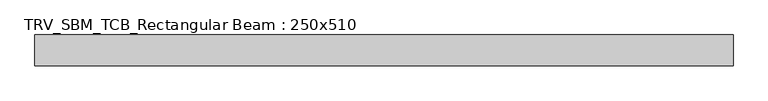
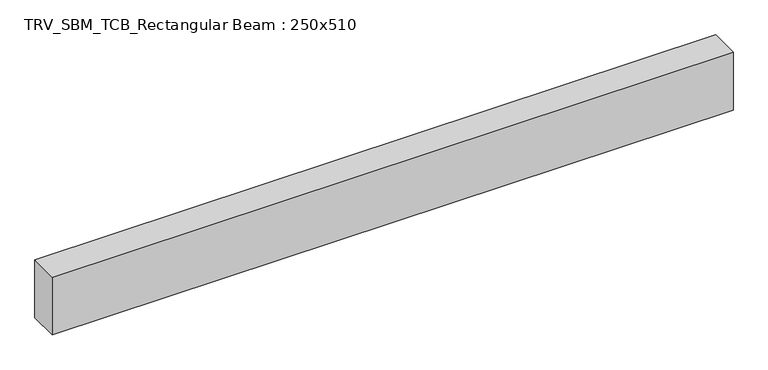
"""IFC4 building model written with IfcOpenShell, lengths in millimetres: beam geometry, TRV_SBM_TCB_Rectangular Beam : 250x510."""

import ifcopenshell
import ifcopenshell.guid

model = None  # the IFC model being written
_history = None  # IfcOwnerHistory: only IFC2X3 demands one
_inside = {}  # id of a spatial element -> (the spatial element, [elements in it])
_under = {}  # id of a project, library or spatial element -> (it, [spatial elements below it])
_declared = {}  # id of a project -> (the project, [libraries it declares])
_typed = {}  # id of a type object -> (the type object, [elements of that type])
_made_of = {}  # id of a material, layer set ... -> (it, [elements and type objects made of it])


def new_model(schema):
    """Start an empty IFC model of exactly this schema.

    Asked for "IFC4X3", IfcOpenShell would pick the latest addendum, in which some entities
    have other attributes; the version numbers below select the first issue.
    IFC2X3 requires an IfcOwnerHistory on every rooted entity: one is made here for all.
    """
    global model, _history
    if schema == "IFC4X3":
        model = ifcopenshell.file(schema_version=(4, 3, 0, 0))
    else:
        model = ifcopenshell.file(schema=schema)
    _inside.clear()
    _under.clear()
    _declared.clear()
    _typed.clear()
    _made_of.clear()
    _history = None
    if model.schema == "IFC2X3":
        org = make("IfcOrganization", Name="unknown")
        user = make(
            "IfcPersonAndOrganization",
            ThePerson=make("IfcPerson", FamilyName="unknown"),
            TheOrganization=org,
        )
        app = make(
            "IfcApplication",
            ApplicationDeveloper=org,
            Version="unknown",
            ApplicationFullName="unknown",
            ApplicationIdentifier="unknown",
        )
        _history = make(
            "IfcOwnerHistory",
            OwningUser=user,
            OwningApplication=app,
            ChangeAction="ADDED",
            CreationDate=0,
        )
    return model


def make(cls, **values):
    """One entity of the class cls with the attributes given. An attribute that is None is left unset."""
    return model.create_entity(
        cls, **{name: value for name, value in values.items() if value is not None}
    )


def rooted(cls, **values):
    """An entity with a GlobalId (a new one), such as an element, a storey or a relation."""
    return make(cls, GlobalId=ifcopenshell.guid.new(), OwnerHistory=_history, **values)


def si_unit(unit_type, name, prefix=None):
    """IfcSIUnit, for example si_unit("LENGTHUNIT", "METRE", prefix="MILLI")."""
    return make("IfcSIUnit", UnitType=unit_type, Prefix=prefix, Name=name)


def assignment(units):
    """IfcUnitAssignment: the units of a project."""
    return None if units is None else make("IfcUnitAssignment", Units=units)


def point(xyz):
    """IfcCartesianPoint."""
    return None if xyz is None else make("IfcCartesianPoint", Coordinates=xyz)


def direction(xyz):
    """IfcDirection."""
    return None if xyz is None else make("IfcDirection", DirectionRatios=xyz)


def frame(location, z_axis=None, x_axis=None):
    """IfcAxis2Placement3D, a coordinate frame: its origin and axes. An axis left out is left unset."""
    return make(
        "IfcAxis2Placement3D",
        Location=point(location),
        Axis=direction(z_axis),
        RefDirection=direction(x_axis),
    )


def origin():
    """The frame at (0, 0, 0) with its axes left unset."""
    return frame((0.0, 0.0, 0.0))


def place(relative_to, where):
    """IfcLocalPlacement: puts the frame where relative to a parent placement (None: the world)."""
    return make(
        "IfcLocalPlacement", PlacementRelTo=relative_to, RelativePlacement=where
    )


def context(
    kind, dimensions, precision=None, world=None, true_north=None, identifier=None
):
    """IfcGeometricRepresentationContext, for example the 3D "Model" context."""
    return make(
        "IfcGeometricRepresentationContext",
        ContextIdentifier=identifier,
        ContextType=kind,
        CoordinateSpaceDimension=dimensions,
        Precision=precision,
        WorldCoordinateSystem=world,
        TrueNorth=true_north,
    )


def project(units=None, contexts=None):
    """IfcProject with its units and contexts."""
    return rooted(
        "IfcProject",
        Name="project",
        RepresentationContexts=contexts,
        UnitsInContext=assignment(units),
    )


def spatial(cls, under=None, at=None, **own):
    """A site, building, storey or space (cls), placed at a placement, below another one or the project."""
    s = rooted(cls, ObjectPlacement=at, **own)
    if under is not None:
        _under.setdefault(under.id(), (under, []))[1].append(s)
    return s


def polyline(points):
    """IfcPolyline through the points."""
    return make("IfcPolyline", Points=[point(p) for p in points])


def outline(outer, holes=None, kind="AREA"):
    """IfcArbitraryClosedProfileDef: a profile drawn as a closed curve; with holes, ...WithVoids."""
    if holes is None:
        return make("IfcArbitraryClosedProfileDef", ProfileType=kind, OuterCurve=outer)
    return make(
        "IfcArbitraryProfileDefWithVoids",
        ProfileType=kind,
        OuterCurve=outer,
        InnerCurves=holes,
    )


def extrude(swept, where, along, depth):
    """IfcExtrudedAreaSolid: the profile swept, set in the frame where, extruded along a direction by depth."""
    return make(
        "IfcExtrudedAreaSolid",
        SweptArea=swept,
        Position=where,
        ExtrudedDirection=direction(along),
        Depth=depth,
    )


def shape(context_of_items, identifier, shape_type, items):
    """IfcShapeRepresentation: the items that make up one representation, for example the "Body"."""
    return make(
        "IfcShapeRepresentation",
        ContextOfItems=context_of_items,
        RepresentationIdentifier=identifier,
        RepresentationType=shape_type,
        Items=items,
    )


def source(mapping_origin, context_of_items, identifier, shape_type, items):
    """IfcRepresentationMap: a shape defined once, which mapped items show again and again."""
    return make(
        "IfcRepresentationMap",
        MappingOrigin=mapping_origin,
        MappedRepresentation=shape(context_of_items, identifier, shape_type, items),
    )


def transform(
    local_origin,
    x_axis=None,
    y_axis=None,
    z_axis=None,
    scale=None,
    scale2=None,
    scale3=None,
    uniform=True,
):
    """IfcCartesianTransformationOperator3D, or its non-uniform kind. x_axis, y_axis, z_axis: its Axis1, 2, 3."""
    if uniform:
        return make(
            "IfcCartesianTransformationOperator3D",
            Axis1=direction(x_axis),
            Axis2=direction(y_axis),
            LocalOrigin=point(local_origin),
            Scale=scale,
            Axis3=direction(z_axis),
        )
    return make(
        "IfcCartesianTransformationOperator3DnonUniform",
        Axis1=direction(x_axis),
        Axis2=direction(y_axis),
        LocalOrigin=point(local_origin),
        Scale=scale,
        Axis3=direction(z_axis),
        Scale2=scale2,
        Scale3=scale3,
    )


def mapped(mapping_source, mapping_target):
    """IfcMappedItem: shows the shape of a source again, moved by a transform."""
    return make(
        "IfcMappedItem", MappingSource=mapping_source, MappingTarget=mapping_target
    )


def made_of(thing, what):
    """Note that an element or type object is made of a material, layer set ...; save() writes the relation."""
    if what is not None:
        _made_of.setdefault(what.id(), (what, []))[1].append(thing)
    return thing


def element(
    cls,
    number,
    at=None,
    inside=None,
    cuts=None,
    type_object=None,
    material=None,
    context=None,
    identifier="Body",
    shape_type=None,
    held_by="IfcProductDefinitionShape",
    body=None,
    shapes=None,
    **own,
):
    """One element of the class cls, such as IfcWall. Its Tag is "e" and its number.

    at: its placement. inside: the storey or other place that contains it. cuts: it is an
    opening in that element (IfcRelVoidsElement). A single representation is given by context,
    identifier, shape_type and body (its items); several are given by shapes. held_by: the class
    of the entity that holds the representations. save() writes the other relations.
    """
    e = rooted(cls, Tag="e%d" % number, ObjectPlacement=at, **own)
    if body is not None:
        shapes = [shape(context, identifier, shape_type, body)]
    if shapes is not None:
        e.Representation = make(held_by, Representations=shapes)
    if inside is not None:
        _inside.setdefault(inside.id(), (inside, []))[1].append(e)
    if cuts is not None:
        rooted(
            "IfcRelVoidsElement", RelatingBuildingElement=cuts, RelatedOpeningElement=e
        )
    if type_object is not None:
        _typed.setdefault(type_object.id(), (type_object, []))[1].append(e)
    return made_of(e, material)


def aggregate(whole, parts):
    """IfcRelAggregates: a whole, such as a stair, and the parts it consists of."""
    return rooted("IfcRelAggregates", RelatingObject=whole, RelatedObjects=parts)


def save(model, path):
    """Write the relations noted so far, then the file.

    IfcRelAggregates (storeys below a building ...), IfcRelContainedInSpatialStructure (elements
    in a storey), IfcRelDefinesByType, IfcRelAssociatesMaterial and IfcRelDeclares: one each for
    every whole, place, type object, material and project.
    """
    for whole, parts in _under.values():
        aggregate(whole, parts)
    for where, things in _inside.values():
        rooted(
            "IfcRelContainedInSpatialStructure",
            RelatedElements=things,
            RelatingStructure=where,
        )
    for kind, things in _typed.values():
        rooted("IfcRelDefinesByType", RelatedObjects=things, RelatingType=kind)
    for what, things in _made_of.values():
        rooted("IfcRelAssociatesMaterial", RelatedObjects=things, RelatingMaterial=what)
    for by, libraries in _declared.values():
        rooted("IfcRelDeclares", RelatingContext=by, RelatedDefinitions=libraries)
    model.write(path)


def trv_sbm_tcb_rectangular_beam_250x510_7a24b503(model_context):
    return source(origin(), model_context, "Body", "SweptSolid", [
        extrude(outline(polyline([(2836.7, 125.0), (2836.7, -125.0), (-2836.7, -125.0), (-2836.7, 125.0), (2836.7, 125.0)])), frame((0.0, 0.0, -255.0), z_axis=(0.0, 0.0, 1.0), x_axis=(1.0, 0.0, 0.0)), (0.0, 0.0, 1.0), 510.0),
    ])


if __name__ == "__main__":
    model = new_model("IFC4")
    model_context = context("Model", 3, world=origin())
    ifc_project = project(units=[si_unit("LENGTHUNIT", "METRE", prefix="MILLI")], contexts=[model_context])
    site = spatial("IfcSite", under=ifc_project)
    building = spatial("IfcBuilding", under=site)
    placement = place(None, origin())
    trv_sbm_tcb_rectangular_beam_250x510_shape = trv_sbm_tcb_rectangular_beam_250x510_7a24b503(model_context)
    element("IfcBeam", 1, ObjectType="TRV_SBM_TCB_Rectangular Beam : 250x510", at=placement, inside=building, context=model_context, shape_type="MappedRepresentation", body=[
        mapped(trv_sbm_tcb_rectangular_beam_250x510_shape, transform((0.0, 0.0, 0.0), x_axis=(1.0, 0.0, 0.0), y_axis=(0.0, 1.0, 0.0), z_axis=(0.0, 0.0, 1.0))),
    ])
    save(model, "model.ifc")
